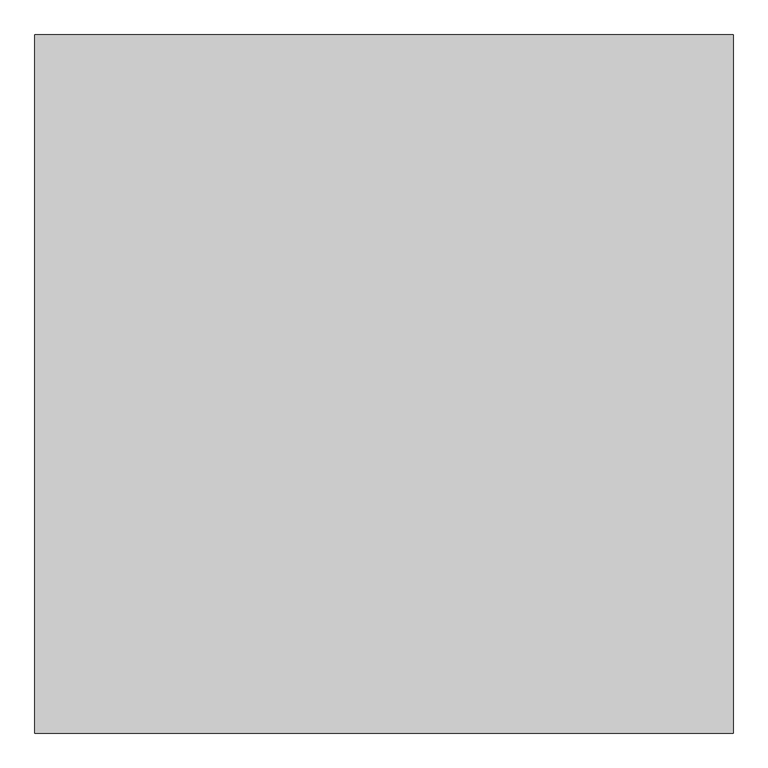
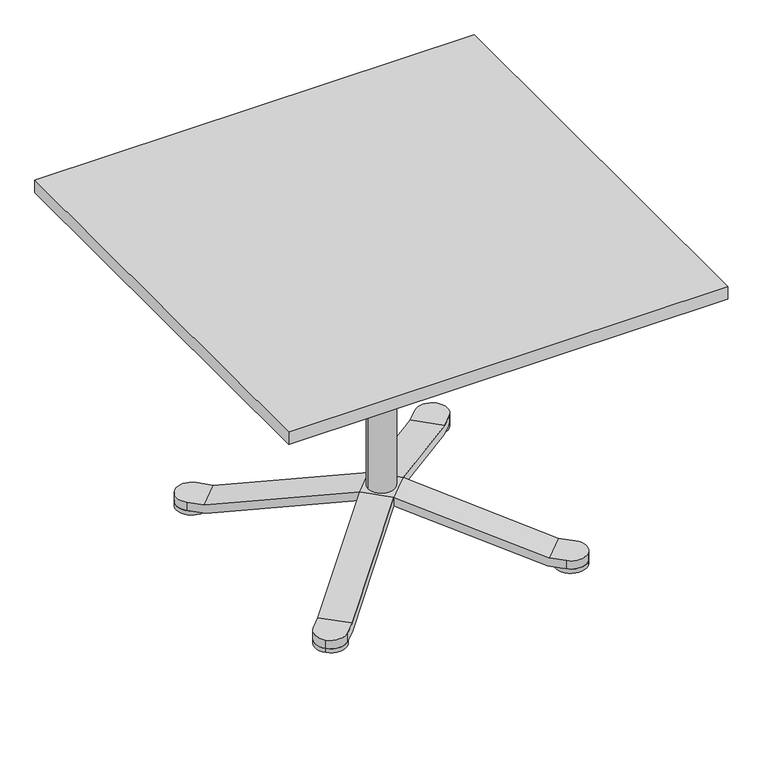
"""IFC4 building model written with IfcOpenShell, lengths in millimetres: furniture geometry."""

from ifc_helpers import new_model, si_unit, point, frame, frame_2d, origin, origin_with_axes, origin_2d, place, context, project, spatial, polyline, circle_curve, ellipse_curve, trimmed, segment, composite_curve, outline, extrude, source, transform, mapped, element, save
from ifc_brep_helpers import plane_surface, cylinder_surface, advanced_brep


def furniture_b80d5fae(model_context):
    return source(origin(), model_context, "Body", "SolidModel", [
        advanced_brep(
        [(226.0569027, -35.0, 694.0), (265.0, -35.0, 694.0), (300.0, 0.0, 694.0), (265.0, 35.0, 694.0), (226.0569027, 35.0, 694.0), (230.0, -35.0, 674.0), (230.0, 35.0, 674.0), (265.0, 35.0, 674.0), (300.0, 0.0, 674.0), (265.0, -35.0, 674.0), (31.0569027, 35.0, 614.0), (31.0569027, 16.1390456, 614.0), (35.0, 0.0, 615.6176809), (31.0569027, -16.1390456, 614.0), (31.0569027, -35.0, 614.0), (35.0, -35.0, 594.0), (35.0, 35.0, 594.0), (35.0, 0.0, 618.0), (-35.0, 0.0, 618.0), (-35.0, 0.0, 614.0), (-29.5052748, -18.8265439, 614.0), (-1.5516279, -34.9655895, 614.0), (-1.5516279, 34.9655895, 614.0), (-29.5052748, 18.8265439, 614.0), (20.2072594, -35.0, 614.0), (20.2072594, -35.0, 594.0), (20.2072594, 35.0, 594.0), (20.2072594, 35.0, 614.0), (14.7824378, -44.3960667, 614.0), (14.7824378, 44.3960667, 614.0), (-45.8393405, 9.3960667, 614.0), (-40.4145188, 0.0, 614.0), (-45.8393405, -9.3960667, 614.0), (12.8108891, -47.8108891, 594.0), (-47.8108891, -12.8108891, 594.0), (-40.4145188, 0.0, 594.0), (-47.8108891, 12.8108891, 594.0), (12.8108891, 47.8108891, 594.0), (-82.7175622, 213.2710205, 694.0), (-102.1891109, 246.996732, 694.0), (-150.0, 259.8076211, 694.0), (-162.8108891, 211.996732, 694.0), (-143.3393405, 178.2710205, 694.0), (-84.6891109, 216.6858429, 674.0), (-145.3108891, 181.6858429, 674.0), (-162.8108891, 211.996732, 674.0), (-150.0, 259.8076211, 674.0), (-102.1891109, 246.996732, 674.0), (-150.0, -259.8076211, 694.0), (-102.1891109, -246.996732, 694.0), (-82.7175622, -213.2710205, 694.0), (-143.3393405, -178.2710205, 694.0), (-162.8108891, -211.996732, 694.0), (-150.0, -259.8076211, 674.0), (-162.8108891, -211.996732, 674.0), (-145.3108891, -181.6858429, 674.0), (-84.6891109, -216.6858429, 674.0), (-102.1891109, -246.996732, 674.0)],
        [
            (0, 1),
            (1, 2, circle_curve(frame((265.0, 0.0, 694.0), z_axis=(0.0, 0.0, 1.0), x_axis=(-1.0, 0.0, 0.0)), 35.0)),
            (2, 3, circle_curve(frame((265.0, 0.0, 694.0), z_axis=(0.0, 0.0, 1.0), x_axis=(-1.0, 0.0, 0.0)), 35.0)),
            (3, 4),
            (4, 0),
            (5, 6),
            (6, 7),
            (7, 8, circle_curve(frame((265.0, 0.0, 674.0), z_axis=(0.0, 0.0, -1.0), x_axis=(-1.0, 0.0, 0.0)), 35.0)),
            (8, 9, circle_curve(frame((265.0, 0.0, 674.0), z_axis=(0.0, 0.0, -1.0), x_axis=(-1.0, 0.0, 0.0)), 35.0)),
            (9, 5),
            (1, 9),
            (8, 2),
            (7, 3),
            (4, 10),
            (10, 11),
            (11, 12, ellipse_curve(frame((0.0, 0.0, 601.2587066), z_axis=(0.37955635625630724, 0.0, -0.9251686183747454), x_axis=(0.9251686183747455, 0.0, 0.37955635625630696)), 37.8309416, 35.0)),
            (12, 13, ellipse_curve(frame((0.0, 0.0, 601.2587066), z_axis=(0.37955635625630724, 0.0, -0.9251686183747454), x_axis=(0.9251686183747455, 0.0, 0.37955635625630696)), 37.8309416, 35.0)),
            (13, 14),
            (14, 0),
            (5, 15),
            (15, 16),
            (16, 6),
            (17, 18, circle_curve(frame((0.0, 0.0, 618.0), z_axis=(0.0, 0.0, 1.0), x_axis=(-1.0, 0.0, 0.0)), 35.0)),
            (18, 17, circle_curve(frame((0.0, 0.0, 618.0), z_axis=(0.0, 0.0, 1.0), x_axis=(-1.0, 0.0, 0.0)), 35.0)),
            (18, 19),
            (19, 20, circle_curve(frame((0.0, 0.0, 614.0), z_axis=(0.0, 0.0, 1.0), x_axis=(-1.0, 0.0, 0.0)), 35.0)),
            (20, 21, ellipse_curve(frame((0.0, 0.0, 601.2587066), z_axis=(0.18977817812817024, 0.32870544668580903, 0.9251686183747454), x_axis=(-0.46258430918741966, -0.8012195262966529, 0.37955635625630724)), 37.8309416, 35.0)),
            (21, 13, circle_curve(frame((0.0, 0.0, 614.0), z_axis=(0.0, 0.0, 1.0), x_axis=(-1.0, 0.0, 0.0)), 35.0)),
            (12, 17),
            (11, 22, circle_curve(frame((0.0, 0.0, 614.0), z_axis=(0.0, 0.0, 1.0), x_axis=(-1.0, 0.0, 0.0)), 35.0)),
            (22, 23, ellipse_curve(frame((0.0, 0.0, 601.2587066), z_axis=(0.18977817812813838, -0.3287054466858273, 0.9251686183747454), x_axis=(-0.4625843091873421, 0.8012195262966977, 0.3795563562563073)), 37.8309416, 35.0)),
            (23, 19, circle_curve(frame((0.0, 0.0, 614.0), z_axis=(0.0, 0.0, 1.0), x_axis=(-1.0, 0.0, 0.0)), 35.0)),
            (14, 24),
            (24, 25),
            (25, 15),
            (16, 26),
            (26, 27),
            (27, 10),
            (21, 28),
            (28, 24),
            (27, 29),
            (29, 22),
            (30, 31),
            (31, 32),
            (32, 20),
            (23, 30),
            (25, 33),
            (33, 34),
            (34, 35),
            (35, 36),
            (36, 37),
            (37, 26),
            (38, 39),
            (39, 40, circle_curve(frame((-132.5, 229.496732, 694.0), z_axis=(0.0, 0.0, 1.0), x_axis=(0.5000000000000033, -0.8660254037844368, 0.0)), 35.0)),
            (40, 41, circle_curve(frame((-132.5, 229.496732, 694.0), z_axis=(0.0, 0.0, 1.0), x_axis=(0.5000000000000033, -0.8660254037844368, 0.0)), 35.0)),
            (41, 42),
            (42, 38),
            (43, 44),
            (44, 45),
            (45, 46, circle_curve(frame((-132.5, 229.496732, 674.0), z_axis=(0.0, 0.0, -1.0), x_axis=(0.5000000000000033, -0.8660254037844368, 0.0)), 35.0)),
            (46, 47, circle_curve(frame((-132.5, 229.496732, 674.0), z_axis=(0.0, 0.0, -1.0), x_axis=(0.5000000000000033, -0.8660254037844368, 0.0)), 35.0)),
            (47, 43),
            (39, 47),
            (46, 40),
            (45, 41),
            (42, 30),
            (29, 38),
            (43, 37),
            (36, 44),
            (35, 31),
            (48, 49, circle_curve(frame((-132.5, -229.496732, 694.0), z_axis=(0.0, 0.0, 1.0), x_axis=(0.4999999999999982, 0.8660254037844397, 0.0)), 35.0)),
            (49, 50),
            (50, 51),
            (51, 52),
            (52, 48, circle_curve(frame((-132.5, -229.496732, 694.0), z_axis=(0.0, 0.0, 1.0), x_axis=(0.4999999999999982, 0.8660254037844397, 0.0)), 35.0)),
            (53, 54, circle_curve(frame((-132.5, -229.496732, 674.0), z_axis=(0.0, 0.0, -1.0), x_axis=(0.4999999999999982, 0.8660254037844397, 0.0)), 35.0)),
            (54, 55),
            (55, 56),
            (56, 57),
            (57, 53, circle_curve(frame((-132.5, -229.496732, 674.0), z_axis=(0.0, 0.0, -1.0), x_axis=(0.4999999999999982, 0.8660254037844397, 0.0)), 35.0)),
            (52, 54),
            (53, 48),
            (57, 49),
            (50, 28),
            (32, 51),
            (55, 34),
            (33, 56),
        ],
        [
            plane_surface(frame((230.0, 0.0, 694.0), z_axis=(0.0, 0.0, 1.0), x_axis=(0.0, 1.0, 0.0))),
            plane_surface(frame((230.0, 0.0, 674.0), z_axis=(0.0, 0.0, -1.0), x_axis=(0.0, -1.0, 0.0))),
            cylinder_surface(frame((265.0, 0.0, 674.0), z_axis=(0.0, 0.0, 1.0), x_axis=(-1.0, 0.0, 0.0)), 35.0),
            plane_surface(frame((226.0569027, -35.0, 694.0), z_axis=(-0.37955635625630724, 0.0, 0.9251686183747454), x_axis=(-0.9251686183747454, 0.0, -0.37955635625630724))),
            plane_surface(frame((230.0, 35.0, 674.0), z_axis=(0.37955635625630724, 0.0, -0.9251686183747454), x_axis=(-0.9251686183747454, 0.0, -0.37955635625630724))),
            plane_surface(frame((-35.0, 0.0, 618.0), z_axis=(0.0, 0.0, 1.0), x_axis=(0.0, 1.0, 0.0))),
            cylinder_surface(frame((0.0, 0.0, 594.0), z_axis=(0.0, 0.0, 1.0), x_axis=(-1.0, 0.0, 0.0)), 35.0),
            plane_surface(frame((265.0, -35.0, 674.0), z_axis=(0.0, -1.0, 0.0), x_axis=(-1.0, 0.0, 0.0))),
            plane_surface(frame((265.0, 35.0, 694.0), z_axis=(0.0, 1.0, 0.0), x_axis=(-1.0, 0.0, 0.0))),
            plane_surface(frame((31.0569027, -35.0, 614.0), z_axis=(0.0, 0.0, 1.0), x_axis=(-1.0, 0.0, 0.0))),
            plane_surface(frame((35.0, 35.0, 594.0), z_axis=(0.0, 0.0, -1.0), x_axis=(-1.0, 0.0, 0.0))),
            plane_surface(frame((-115.0, 199.1858429, 694.0), z_axis=(0.0, 0.0, 1.0000000000000002), x_axis=(-0.8660254037844368, -0.5000000000000033, 0.0))),
            plane_surface(frame((-115.0, 199.1858429, 674.0), z_axis=(0.0, 0.0, -1.0000000000000002), x_axis=(0.8660254037844368, 0.5000000000000033, 0.0))),
            cylinder_surface(frame((-132.5, 229.496732, 674.0), z_axis=(0.0, 0.0, 1.0000000000000002), x_axis=(0.5000000000000033, -0.8660254037844368, 0.0)), 35.0),
            plane_surface(frame((-82.7175622, 213.2710205, 694.0), z_axis=(0.18977817812813838, -0.3287054466858273, 0.9251686183747454), x_axis=(0.46258430918737786, -0.8012195262966771, -0.379556356256307))),
            plane_surface(frame((-145.3108891, 181.6858429, 674.0), z_axis=(-0.18977817812813805, 0.32870544668582763, -0.9251686183747454), x_axis=(0.46258430918737803, -0.801219526296677, -0.3795563562563071))),
            plane_surface(frame((-102.1891109, 246.996732, 674.0), z_axis=(0.8660254037844353, 0.500000000000006, 0.0), x_axis=(0.500000000000006, -0.8660254037844353, 0.0))),
            plane_surface(frame((-162.8108891, 211.996732, 694.0), z_axis=(-0.8660254037844354, -0.5000000000000057, 0.0), x_axis=(0.5000000000000057, -0.8660254037844354, 0.0))),
            plane_surface(frame((-115.0, -199.1858429, 694.0), z_axis=(0.0, 0.0, 1.0), x_axis=(0.8660254037844397, -0.4999999999999982, 0.0))),
            plane_surface(frame((-115.0, -199.1858429, 674.0), z_axis=(0.0, 0.0, -1.0), x_axis=(-0.8660254037844397, 0.4999999999999982, 0.0))),
            cylinder_surface(frame((-132.5, -229.496732, 674.0), z_axis=(0.0, 0.0, 1.0), x_axis=(0.4999999999999982, 0.8660254037844397, 0.0)), 35.0),
            plane_surface(frame((-143.3393405, -178.2710205, 694.0), z_axis=(0.18977817812817024, 0.32870544668580903, 0.9251686183747454), x_axis=(0.462584309187371, 0.801219526296681, -0.3795563562563072))),
            plane_surface(frame((-84.6891109, -216.6858429, 674.0), z_axis=(-0.1897781781281706, -0.32870544668580876, -0.9251686183747455), x_axis=(0.46258430918737103, 0.8012195262966811, -0.3795563562563071))),
            plane_surface(frame((-162.8108891, -211.996732, 674.0), z_axis=(-0.8660254037844399, 0.4999999999999979, 0.0), x_axis=(0.4999999999999979, 0.8660254037844399, 0.0))),
            plane_surface(frame((-102.1891109, -246.996732, 694.0), z_axis=(0.8660254037844398, -0.49999999999999806, 0.0), x_axis=(0.49999999999999806, 0.8660254037844398, 0.0))),
        ],
        [
            (0, [[1, 2, 3, 4, 5]]),
            (1, [[6, 7, 8, 9, 10]]),
            (2, [[-2, 11, -9, 12]]),
            (2, [[-8, 13, -3, -12]]),
            (3, [[14, 15, 16, 17, 18, 19, -5]]),
            (4, [[-6, 20, 21, 22]]),
            (5, [[23, 24]]),
            (6, [[25, 26, 27, 28, -17, 29, -24]]),
            (6, [[-29, -16, 30, 31, 32, -25, -23]]),
            (7, [[33, 34, 35, -20, -10, -11, -1, -19]]),
            (8, [[-4, -13, -7, -22, 36, 37, 38, -14]]),
            (9, [[-28, 39, 40, -33, -18]]),
            (9, [[-38, 41, 42, -30, -15]]),
            (9, [[43, 44, 45, -26, -32, 46]]),
            (10, [[-35, 47, 48, 49, 50, 51, 52, -36, -21]]),
            (11, [[53, 54, 55, 56, 57]]),
            (12, [[58, 59, 60, 61, 62]]),
            (13, [[-54, 63, -61, 64]]),
            (13, [[-60, 65, -55, -64]]),
            (14, [[66, -46, -31, -42, 67, -57]]),
            (15, [[-58, 68, -51, 69]]),
            (16, [[-41, -37, -52, -68, -62, -63, -53, -67]]),
            (17, [[-56, -65, -59, -69, -50, 70, -43, -66]]),
            (18, [[71, 72, 73, 74, 75]]),
            (19, [[76, 77, 78, 79, 80]]),
            (20, [[-75, 81, -76, 82]]),
            (20, [[-80, 83, -71, -82]]),
            (21, [[84, -39, -27, -45, 85, -73]]),
            (22, [[86, -48, 87, -78]]),
            (23, [[-44, -70, -49, -86, -77, -81, -74, -85]]),
            (24, [[-72, -83, -79, -87, -47, -34, -40, -84]]),
        ],
    ),
        extrude(outline(composite_curve([segment(trimmed(circle_curve(frame_2d((273.6503243, -273.6503243)), 35.0), [point((248.901587, -248.901587))], [point((298.3990617, -298.3990617))], False, "CARTESIAN"), True, "CONTINUOUS"), segment(trimmed(circle_curve(frame_2d((273.6503243, -273.6503243)), 35.0), [point((298.3990617, -298.3990617))], [point((248.901587, -248.901587))], False, "CARTESIAN"), True, "CONTINUOUS")], self_intersect=False)), origin_with_axes(), (0.0, 0.0, 1.0), 10.0),
        extrude(outline(composite_curve([segment(trimmed(circle_curve(frame_2d((273.6503243, 273.6503243)), 35.0), [point((248.901587, 248.901587))], [point((298.3990617, 298.3990617))], False, "CARTESIAN"), True, "CONTINUOUS"), segment(trimmed(circle_curve(frame_2d((273.6503243, 273.6503243)), 35.0), [point((298.3990617, 298.3990617))], [point((248.901587, 248.901587))], False, "CARTESIAN"), True, "CONTINUOUS")], self_intersect=False)), origin_with_axes(), (0.0, 0.0, 1.0), 10.0),
        extrude(outline(composite_curve([segment(trimmed(circle_curve(frame_2d((-273.6503243, 273.6503243)), 35.0), [point((-248.901587, 248.901587))], [point((-298.3990617, 298.3990617))], False, "CARTESIAN"), True, "CONTINUOUS"), segment(trimmed(circle_curve(frame_2d((-273.6503243, 273.6503243)), 35.0), [point((-298.3990617, 298.3990617))], [point((-248.901587, 248.901587))], False, "CARTESIAN"), True, "CONTINUOUS")], self_intersect=False)), origin_with_axes(), (0.0, 0.0, 1.0), 10.0),
        advanced_brep(
        [(-271.7079031, -222.2104284, 10.0), (-49.4974747, 0.0, 97.985091), (-45.6126322, 0.0, 98.7542004), (0.0, -45.6126322, 98.7542004), (0.0, -49.4974747, 97.985091), (-222.2104284, -271.7079031, 10.0), (-273.6503243, -224.1528496, 30.0), (-224.1528496, -273.6503243, 30.0), (0.0, -49.4974747, 118.7542004), (-49.4974747, 0.0, 118.7542004), (-298.3990617, -248.901587, 10.0), (-298.3990617, -248.901587, 30.0), (-248.901587, -298.3990617, 10.0), (-298.3990617, -298.3990617, 10.0), (-248.901587, -298.3990617, 30.0), (-298.3990617, -298.3990617, 30.0), (-22.8063161, 22.8063161, 98.7542004), (0.0, 45.6126322, 98.7542004), (45.6126322, 0.0, 98.7542004), (22.8063161, -22.8063161, 98.7542004), (24.7487373, -24.7487373, 118.7542004), (49.4974747, 0.0, 118.7542004), (0.0, 49.4974747, 118.7542004), (-24.7487373, 24.7487373, 118.7542004), (-222.2104284, 271.7079031, 10.0), (0.0, 49.4974747, 97.985091), (-271.7079031, 222.2104284, 10.0), (-224.1528496, 273.6503243, 30.0), (-273.6503243, 224.1528496, 30.0), (-248.901587, 298.3990617, 10.0), (-248.901587, 298.3990617, 30.0), (273.6503243, -224.1528496, 30.0), (298.3990617, -248.901587, 30.0), (298.3990617, -248.901587, 10.0), (271.7079031, -222.2104284, 10.0), (49.4974747, 0.0, 97.985091), (-298.3990617, 248.901587, 10.0), (-298.3990617, 298.3990617, 10.0), (-298.3990617, 248.901587, 30.0), (-298.3990617, 298.3990617, 30.0), (222.2104284, -271.7079031, 10.0), (224.1528496, -273.6503243, 30.0), (248.901587, -298.3990617, 10.0), (248.901587, -298.3990617, 30.0), (298.3990617, -298.3990617, 10.0), (298.3990617, -298.3990617, 30.0), (271.7079031, 222.2104284, 10.0), (222.2104284, 271.7079031, 10.0), (224.1528496, 273.6503243, 30.0), (273.6503243, 224.1528496, 30.0), (298.3990617, 248.901587, 10.0), (298.3990617, 248.901587, 30.0), (248.901587, 298.3990617, 10.0), (298.3990617, 298.3990617, 10.0), (248.901587, 298.3990617, 30.0), (298.3990617, 298.3990617, 30.0)],
        [
            (0, 1),
            (1, 2),
            (2, 3),
            (3, 4),
            (4, 5),
            (5, 0),
            (6, 7),
            (7, 8),
            (8, 9),
            (9, 6),
            (9, 1),
            (0, 10),
            (10, 11),
            (11, 6),
            (5, 12),
            (12, 13, circle_curve(frame((-273.6503243, -273.6503243, 10.0), z_axis=(0.0, 0.0, -1.0), x_axis=(-0.965925826289068, 0.25881904510252185, 0.0)), 35.0)),
            (13, 10, circle_curve(frame((-273.6503243, -273.6503243, 10.0), z_axis=(0.0, 0.0, -1.0), x_axis=(-0.965925826289068, 0.25881904510252185, 0.0)), 35.0)),
            (7, 14),
            (14, 12),
            (4, 8),
            (11, 15, circle_curve(frame((-273.6503243, -273.6503243, 30.0), z_axis=(0.0, 0.0, 1.0), x_axis=(-0.965925826289068, 0.25881904510252185, 0.0)), 35.0)),
            (15, 14, circle_curve(frame((-273.6503243, -273.6503243, 30.0), z_axis=(0.0, 0.0, 1.0), x_axis=(-0.965925826289068, 0.25881904510252185, 0.0)), 35.0)),
            (2, 16),
            (16, 17),
            (17, 18),
            (18, 19),
            (19, 3),
            (8, 20),
            (20, 21),
            (21, 22),
            (22, 23),
            (23, 9),
            (15, 13),
            (24, 25),
            (25, 17),
            (1, 26),
            (26, 24),
            (27, 28),
            (28, 9),
            (22, 27),
            (22, 25),
            (24, 29),
            (29, 30),
            (30, 27),
            (31, 32),
            (32, 33),
            (33, 34),
            (34, 35),
            (35, 21),
            (21, 31),
            (26, 36),
            (36, 37, circle_curve(frame((-273.6503243, 273.6503243, 10.0), z_axis=(0.0, 0.0, -1.0), x_axis=(0.25881904510252585, 0.965925826289067, 0.0)), 35.0)),
            (37, 29, circle_curve(frame((-273.6503243, 273.6503243, 10.0), z_axis=(0.0, 0.0, -1.0), x_axis=(0.25881904510252585, 0.965925826289067, 0.0)), 35.0)),
            (28, 38),
            (38, 36),
            (30, 39, circle_curve(frame((-273.6503243, 273.6503243, 30.0), z_axis=(0.0, 0.0, 1.0), x_axis=(0.25881904510252585, 0.965925826289067, 0.0)), 35.0)),
            (39, 38, circle_curve(frame((-273.6503243, 273.6503243, 30.0), z_axis=(0.0, 0.0, 1.0), x_axis=(0.25881904510252585, 0.965925826289067, 0.0)), 35.0)),
            (39, 37),
            (40, 4),
            (18, 35),
            (34, 40),
            (41, 31),
            (8, 41),
            (40, 42),
            (42, 43),
            (43, 41),
            (33, 44, circle_curve(frame((273.6503243, -273.6503243, 10.0), z_axis=(0.0, 0.0, -1.0), x_axis=(-0.25881904510252596, -0.965925826289067, 0.0)), 35.0)),
            (44, 42, circle_curve(frame((273.6503243, -273.6503243, 10.0), z_axis=(0.0, 0.0, -1.0), x_axis=(-0.25881904510252596, -0.965925826289067, 0.0)), 35.0)),
            (43, 45, circle_curve(frame((273.6503243, -273.6503243, 30.0), z_axis=(0.0, 0.0, 1.0), x_axis=(-0.25881904510252596, -0.965925826289067, 0.0)), 35.0)),
            (45, 32, circle_curve(frame((273.6503243, -273.6503243, 30.0), z_axis=(0.0, 0.0, 1.0), x_axis=(-0.25881904510252596, -0.965925826289067, 0.0)), 35.0)),
            (45, 44),
            (46, 35),
            (25, 47),
            (47, 46),
            (48, 22),
            (21, 49),
            (49, 48),
            (46, 50),
            (50, 51),
            (51, 49),
            (47, 52),
            (52, 53, circle_curve(frame((273.6503243, 273.6503243, 10.0), z_axis=(0.0, 0.0, -1.0), x_axis=(0.9659258262890669, -0.2588190451025263, 0.0)), 35.0)),
            (53, 50, circle_curve(frame((273.6503243, 273.6503243, 10.0), z_axis=(0.0, 0.0, -1.0), x_axis=(0.9659258262890669, -0.2588190451025263, 0.0)), 35.0)),
            (48, 54),
            (54, 52),
            (51, 55, circle_curve(frame((273.6503243, 273.6503243, 30.0), z_axis=(0.0, 0.0, 1.0), x_axis=(0.9659258262890669, -0.2588190451025263, 0.0)), 35.0)),
            (55, 54, circle_curve(frame((273.6503243, 273.6503243, 30.0), z_axis=(0.0, 0.0, 1.0), x_axis=(0.9659258262890669, -0.2588190451025263, 0.0)), 35.0)),
            (55, 53),
        ],
        [
            plane_surface(frame((-222.2104284, -271.7079031, 10.0), z_axis=(0.19064559666053488, 0.19064559666050704, -0.9629685939572008), x_axis=(0.680921622856811, 0.6809216228568122, 0.26961358840401956))),
            plane_surface(frame((-273.6503243, -224.1528496, 30.0), z_axis=(-0.1906455966605352, -0.1906455966605067, 0.9629685939572008), x_axis=(0.680921622856811, 0.6809216228568122, 0.26961358840401956))),
            plane_surface(frame((-298.3990617, -248.901587, 10.0), z_axis=(-0.7071067811865485, 0.7071067811865467, 0.0), x_axis=(0.7071067811865467, 0.7071067811865485, 0.0))),
            plane_surface(frame((-248.901587, -298.3990617, 10.0), z_axis=(0.0, 0.0, -1.0000000000000002), x_axis=(0.7071067811865467, 0.7071067811865485, 0.0))),
            plane_surface(frame((-248.901587, -298.3990617, 30.0), z_axis=(0.707106781186548, -0.707106781186547, 0.0), x_axis=(0.707106781186547, 0.707106781186548, 0.0))),
            plane_surface(frame((-298.3990617, -248.901587, 30.0), z_axis=(0.0, 0.0, 1.0), x_axis=(0.7071067811865461, 0.707106781186549, 0.0))),
            plane_surface(frame((1.9424213, -47.5550534, 98.7542004), z_axis=(0.0, 0.0, -1.0000000000000002), x_axis=(0.7071067811865467, 0.7071067811865485, 0.0))),
            plane_surface(frame((-49.4974747, 0.0, 118.7542004), z_axis=(0.0, 0.0, 1.0000000000000002), x_axis=(0.707106781186547, 0.7071067811865481, 0.0))),
            cylinder_surface(frame((-273.6503243, -273.6503243, 10.0), z_axis=(0.0, 0.0, 1.0), x_axis=(-0.965925826289068, 0.25881904510252185, 0.0)), 35.0),
            plane_surface(frame((-271.7079031, 222.2104284, 10.0), z_axis=(0.1906455966605062, -0.19064559666053588, -0.9629685939572008), x_axis=(0.6809216228568095, -0.6809216228568138, 0.26961358840401967))),
            plane_surface(frame((-224.1528496, 273.6503243, 30.0), z_axis=(-0.19064559666050593, 0.19064559666053613, 0.9629685939572006), x_axis=(0.6809216228568095, -0.6809216228568137, 0.26961358840401967))),
            plane_surface(frame((-248.901587, 298.3990617, 10.0), z_axis=(0.7071067811865493, 0.7071067811865458, 0.0), x_axis=(0.7071067811865458, -0.7071067811865493, 0.0))),
            plane_surface(frame((-298.3990617, 248.901587, 10.0), z_axis=(0.0, 0.0, -1.0), x_axis=(0.7071067811865458, -0.7071067811865493, 0.0))),
            plane_surface(frame((-298.3990617, 248.901587, 30.0), z_axis=(-0.7071067811865499, -0.7071067811865451, 0.0), x_axis=(0.7071067811865451, -0.7071067811865499, 0.0))),
            plane_surface(frame((-248.901587, 298.3990617, 30.0), z_axis=(0.0, 0.0, 1.0), x_axis=(0.7071067811865451, -0.7071067811865499, 0.0))),
            cylinder_surface(frame((-273.6503243, 273.6503243, 10.0), z_axis=(0.0, 0.0, 1.0), x_axis=(0.25881904510252585, 0.965925826289067, 0.0)), 35.0),
            plane_surface(frame((271.7079031, -222.2104284, 10.0), z_axis=(-0.19064559666050612, 0.19064559666053568, -0.9629685939572008), x_axis=(-0.6809216228568093, 0.680921622856814, 0.2696135884040195))),
            plane_surface(frame((224.1528496, -273.6503243, 30.0), z_axis=(0.19064559666050596, -0.19064559666053615, 0.9629685939572008), x_axis=(-0.6809216228568093, 0.680921622856814, 0.26961358840401967))),
            plane_surface(frame((248.901587, -298.3990617, 10.0), z_axis=(-0.7071067811865507, -0.7071067811865444, 0.0), x_axis=(-0.7071067811865444, 0.7071067811865507, 0.0))),
            plane_surface(frame((298.3990617, -248.901587, 10.0), z_axis=(0.0, 0.0, -1.0), x_axis=(-0.7071067811865448, 0.7071067811865502, 0.0))),
            plane_surface(frame((248.901587, -298.3990617, 30.0), z_axis=(0.0, 0.0, 1.0), x_axis=(-0.7071067811865451, 0.7071067811865499, 0.0))),
            cylinder_surface(frame((273.6503243, -273.6503243, 10.0), z_axis=(0.0, 0.0, 1.0), x_axis=(-0.25881904510252596, -0.965925826289067, 0.0)), 35.0),
            plane_surface(frame((222.2104284, 271.7079031, 10.0), z_axis=(-0.19064559666053577, -0.1906455966605062, -0.9629685939572006), x_axis=(-0.6809216228568142, -0.6809216228568089, 0.2696135884040196))),
            plane_surface(frame((273.6503243, 224.1528496, 30.0), z_axis=(0.19064559666053615, 0.19064559666050593, 0.9629685939572008), x_axis=(-0.6809216228568142, -0.680921622856809, 0.26961358840401967))),
            plane_surface(frame((298.3990617, 248.901587, 10.0), z_axis=(0.7071067811865454, -0.7071067811865498, 0.0), x_axis=(-0.7071067811865498, -0.7071067811865454, 0.0))),
            plane_surface(frame((248.901587, 298.3990617, 10.0), z_axis=(0.0, 0.0, -1.0), x_axis=(-0.7071067811865502, -0.7071067811865448, 0.0))),
            plane_surface(frame((248.901587, 298.3990617, 30.0), z_axis=(-0.7071067811865446, 0.7071067811865505, 0.0), x_axis=(-0.7071067811865505, -0.7071067811865446, 0.0))),
            plane_surface(frame((298.3990617, 248.901587, 30.0), z_axis=(0.0, 0.0, 1.0000000000000002), x_axis=(-0.70710678118655, -0.7071067811865451, 0.0))),
            cylinder_surface(frame((273.6503243, 273.6503243, 10.0), z_axis=(0.0, 0.0, 1.0000000000000002), x_axis=(0.9659258262890669, -0.2588190451025263, 0.0)), 35.0),
        ],
        [
            (0, [[1, 2, 3, 4, 5, 6]]),
            (1, [[7, 8, 9, 10]]),
            (2, [[11, -1, 12, 13, 14, -10]]),
            (3, [[15, 16, 17, -12, -6]]),
            (4, [[18, 19, -15, -5, 20, -8]]),
            (5, [[21, 22, -18, -7, -14]]),
            (6, [[23, 24, 25, 26, 27, -3]]),
            (7, [[28, 29, 30, 31, 32, -9]]),
            (8, [[-16, -19, -22, 33]]),
            (8, [[-21, -13, -17, -33]]),
            (9, [[34, 35, -24, -23, -2, 36, 37]]),
            (10, [[38, 39, -32, -31, 40]]),
            (11, [[41, -34, 42, 43, 44, -40]]),
            (11, [[45, 46, 47, 48, 49, 50]]),
            (12, [[51, 52, 53, -42, -37]]),
            (13, [[54, 55, -51, -36, -11, -39]]),
            (14, [[56, 57, -54, -38, -44]]),
            (15, [[-52, -55, -57, 58]]),
            (15, [[-56, -43, -53, -58]]),
            (16, [[59, -4, -27, -26, 60, -48, 61]]),
            (17, [[62, -50, -29, -28, 63]]),
            (18, [[-20, -59, 64, 65, 66, -63]]),
            (19, [[-47, 67, 68, -64, -61]]),
            (20, [[69, 70, -45, -62, -66]]),
            (21, [[-67, -46, -70, 71]]),
            (21, [[-69, -65, -68, -71]]),
            (22, [[72, -60, -25, -35, 73, 74]]),
            (23, [[75, -30, 76, 77]]),
            (24, [[-49, -72, 78, 79, 80, -76]]),
            (25, [[81, 82, 83, -78, -74]]),
            (26, [[84, 85, -81, -73, -41, -75]]),
            (27, [[86, 87, -84, -77, -80]]),
            (28, [[-82, -85, -87, 88]]),
            (28, [[-86, -79, -83, -88]]),
        ],
    ),
        extrude(outline(composite_curve([segment(trimmed(circle_curve(origin_2d(), 30.0), [point((30.0, 0.0))], [point((-30.0, 0.0))], False, "CARTESIAN"), True, "CONTINUOUS"), segment(trimmed(circle_curve(origin_2d(), 30.0), [point((-30.0, 0.0))], [point((30.0, 0.0))], False, "CARTESIAN"), True, "CONTINUOUS")], self_intersect=False)), frame((0.0, 0.0, 118.7542004), z_axis=(0.0, 0.0, 1.0), x_axis=(1.0, 0.0, 0.0)), (0.0, 0.0, 1.0), 475.2457996),
        extrude(outline(composite_curve([segment(trimmed(circle_curve(frame_2d((-273.6503243, -273.6503243)), 35.0), [point((-248.901587, -248.901587))], [point((-298.3990617, -298.3990617))], False, "CARTESIAN"), True, "CONTINUOUS"), segment(trimmed(circle_curve(frame_2d((-273.6503243, -273.6503243)), 35.0), [point((-298.3990617, -298.3990617))], [point((-248.901587, -248.901587))], False, "CARTESIAN"), True, "CONTINUOUS")], self_intersect=False)), origin_with_axes(), (0.0, 0.0, 1.0), 10.0),
        extrude(outline(polyline([(500.0, 500.0), (500.0, -500.0), (-500.0, -500.0), (-500.0, 500.0), (500.0, 500.0)])), frame((0.0, 0.0, 694.0), z_axis=(0.0, 0.0, 1.0), x_axis=(1.0, 0.0, 0.0)), (0.0, 0.0, 1.0), 30.0),
    ])


if __name__ == "__main__":
    model = new_model("IFC4")
    model_context = context("Model", 3, world=origin())
    ifc_project = project(units=[si_unit("LENGTHUNIT", "METRE", prefix="MILLI")], contexts=[model_context])
    site = spatial("IfcSite", under=ifc_project)
    building = spatial("IfcBuilding", under=site)
    placement = place(None, origin())
    furniture_shape = furniture_b80d5fae(model_context)
    element("IfcFurniture", 1, at=placement, inside=building, context=model_context, shape_type="MappedRepresentation", body=[
        mapped(furniture_shape, transform((0.0, 0.0, 0.0), x_axis=(1.0, 0.0, 0.0), y_axis=(0.0, 1.0, 0.0), z_axis=(0.0, 0.0, 1.0))),
    ])
    save(model, "model.ifc")
